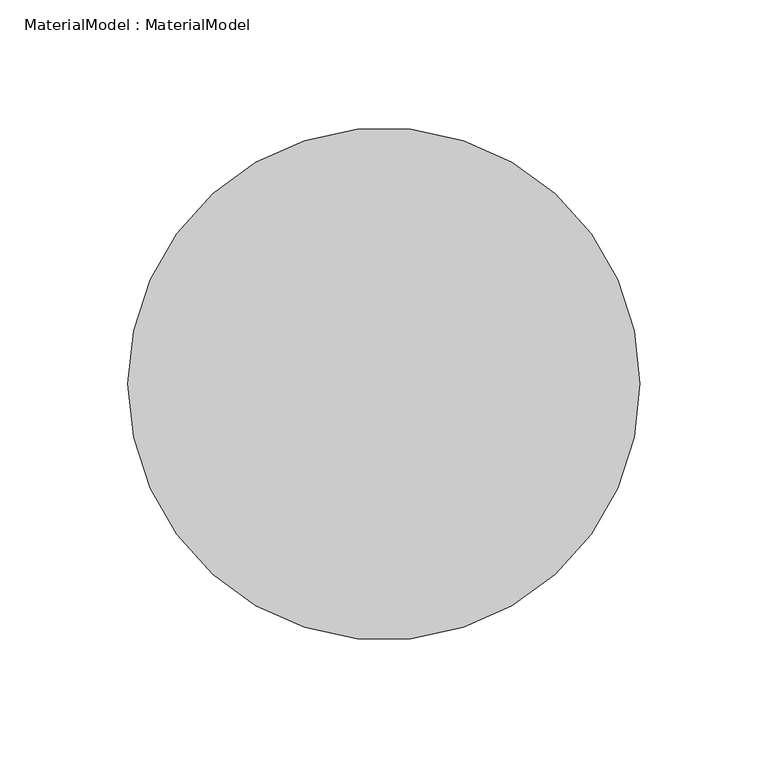
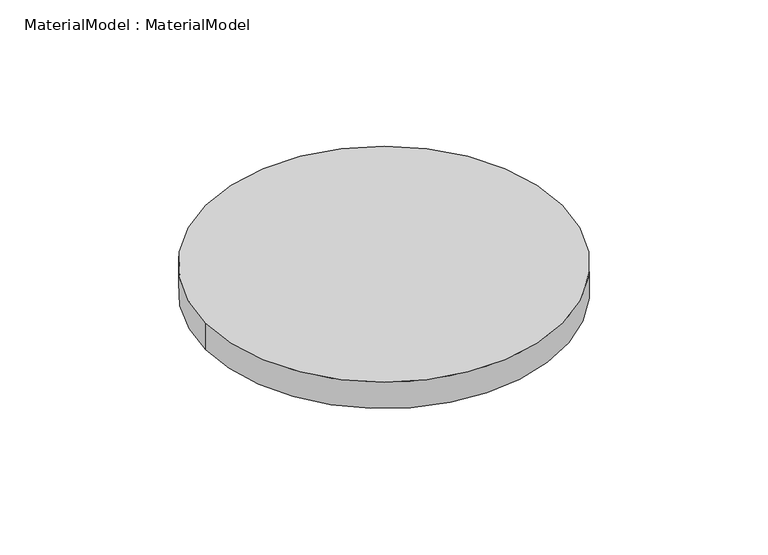
"""IFC4 building model written with IfcOpenShell, lengths in millimetres: proxy geometry, MaterialModel : MaterialModel."""

import ifcopenshell
import ifcopenshell.guid

model = None  # the IFC model being written
_history = None  # IfcOwnerHistory: only IFC2X3 demands one
_inside = {}  # id of a spatial element -> (the spatial element, [elements in it])
_under = {}  # id of a project, library or spatial element -> (it, [spatial elements below it])
_declared = {}  # id of a project -> (the project, [libraries it declares])
_typed = {}  # id of a type object -> (the type object, [elements of that type])
_made_of = {}  # id of a material, layer set ... -> (it, [elements and type objects made of it])


def new_model(schema):
    """Start an empty IFC model of exactly this schema.

    Asked for "IFC4X3", IfcOpenShell would pick the latest addendum, in which some entities
    have other attributes; the version numbers below select the first issue.
    IFC2X3 requires an IfcOwnerHistory on every rooted entity: one is made here for all.
    """
    global model, _history
    if schema == "IFC4X3":
        model = ifcopenshell.file(schema_version=(4, 3, 0, 0))
    else:
        model = ifcopenshell.file(schema=schema)
    _inside.clear()
    _under.clear()
    _declared.clear()
    _typed.clear()
    _made_of.clear()
    _history = None
    if model.schema == "IFC2X3":
        org = make("IfcOrganization", Name="unknown")
        user = make(
            "IfcPersonAndOrganization",
            ThePerson=make("IfcPerson", FamilyName="unknown"),
            TheOrganization=org,
        )
        app = make(
            "IfcApplication",
            ApplicationDeveloper=org,
            Version="unknown",
            ApplicationFullName="unknown",
            ApplicationIdentifier="unknown",
        )
        _history = make(
            "IfcOwnerHistory",
            OwningUser=user,
            OwningApplication=app,
            ChangeAction="ADDED",
            CreationDate=0,
        )
    return model


def make(cls, **values):
    """One entity of the class cls with the attributes given. An attribute that is None is left unset."""
    return model.create_entity(
        cls, **{name: value for name, value in values.items() if value is not None}
    )


def rooted(cls, **values):
    """An entity with a GlobalId (a new one), such as an element, a storey or a relation."""
    return make(cls, GlobalId=ifcopenshell.guid.new(), OwnerHistory=_history, **values)


def si_unit(unit_type, name, prefix=None):
    """IfcSIUnit, for example si_unit("LENGTHUNIT", "METRE", prefix="MILLI")."""
    return make("IfcSIUnit", UnitType=unit_type, Prefix=prefix, Name=name)


def assignment(units):
    """IfcUnitAssignment: the units of a project."""
    return None if units is None else make("IfcUnitAssignment", Units=units)


def point(xyz):
    """IfcCartesianPoint."""
    return None if xyz is None else make("IfcCartesianPoint", Coordinates=xyz)


def direction(xyz):
    """IfcDirection."""
    return None if xyz is None else make("IfcDirection", DirectionRatios=xyz)


def frame(location, z_axis=None, x_axis=None):
    """IfcAxis2Placement3D, a coordinate frame: its origin and axes. An axis left out is left unset."""
    return make(
        "IfcAxis2Placement3D",
        Location=point(location),
        Axis=direction(z_axis),
        RefDirection=direction(x_axis),
    )


def frame_2d(location, x_axis=None):
    """IfcAxis2Placement2D, a coordinate frame in the plane: its origin and x axis."""
    return make(
        "IfcAxis2Placement2D", Location=point(location), RefDirection=direction(x_axis)
    )


def origin():
    """The frame at (0, 0, 0) with its axes left unset."""
    return frame((0.0, 0.0, 0.0))


def origin_with_axes():
    """The frame at (0, 0, 0) with the z axis (0, 0, 1) and the x axis (1, 0, 0) written out."""
    return frame((0.0, 0.0, 0.0), z_axis=(0.0, 0.0, 1.0), x_axis=(1.0, 0.0, 0.0))


def origin_2d():
    """The frame at (0, 0) in the plane with its x axis left unset."""
    return frame_2d((0.0, 0.0))


def place(relative_to, where):
    """IfcLocalPlacement: puts the frame where relative to a parent placement (None: the world)."""
    return make(
        "IfcLocalPlacement", PlacementRelTo=relative_to, RelativePlacement=where
    )


def context(
    kind, dimensions, precision=None, world=None, true_north=None, identifier=None
):
    """IfcGeometricRepresentationContext, for example the 3D "Model" context."""
    return make(
        "IfcGeometricRepresentationContext",
        ContextIdentifier=identifier,
        ContextType=kind,
        CoordinateSpaceDimension=dimensions,
        Precision=precision,
        WorldCoordinateSystem=world,
        TrueNorth=true_north,
    )


def project(units=None, contexts=None):
    """IfcProject with its units and contexts."""
    return rooted(
        "IfcProject",
        Name="project",
        RepresentationContexts=contexts,
        UnitsInContext=assignment(units),
    )


def spatial(cls, under=None, at=None, **own):
    """A site, building, storey or space (cls), placed at a placement, below another one or the project."""
    s = rooted(cls, ObjectPlacement=at, **own)
    if under is not None:
        _under.setdefault(under.id(), (under, []))[1].append(s)
    return s


def circle_curve(where, radius):
    """IfcCircle in the frame where."""
    return make("IfcCircle", Position=where, Radius=radius)


def trimmed(basis, trim1, trim2, sense, master):
    """IfcTrimmedCurve: the piece of a basis curve between two trims."""
    return make(
        "IfcTrimmedCurve",
        BasisCurve=basis,
        Trim1=trim1,
        Trim2=trim2,
        SenseAgreement=sense,
        MasterRepresentation=master,
    )


def segment(curve, same_sense, transition):
    """IfcCompositeCurveSegment."""
    return make(
        "IfcCompositeCurveSegment",
        Transition=transition,
        SameSense=same_sense,
        ParentCurve=curve,
    )


def composite_curve(segments, self_intersect=None):
    """IfcCompositeCurve: segments joined end to end."""
    return make("IfcCompositeCurve", Segments=segments, SelfIntersect=self_intersect)


def outline(outer, holes=None, kind="AREA"):
    """IfcArbitraryClosedProfileDef: a profile drawn as a closed curve; with holes, ...WithVoids."""
    if holes is None:
        return make("IfcArbitraryClosedProfileDef", ProfileType=kind, OuterCurve=outer)
    return make(
        "IfcArbitraryProfileDefWithVoids",
        ProfileType=kind,
        OuterCurve=outer,
        InnerCurves=holes,
    )


def extrude(swept, where, along, depth):
    """IfcExtrudedAreaSolid: the profile swept, set in the frame where, extruded along a direction by depth."""
    return make(
        "IfcExtrudedAreaSolid",
        SweptArea=swept,
        Position=where,
        ExtrudedDirection=direction(along),
        Depth=depth,
    )


def shape(context_of_items, identifier, shape_type, items):
    """IfcShapeRepresentation: the items that make up one representation, for example the "Body"."""
    return make(
        "IfcShapeRepresentation",
        ContextOfItems=context_of_items,
        RepresentationIdentifier=identifier,
        RepresentationType=shape_type,
        Items=items,
    )


def source(mapping_origin, context_of_items, identifier, shape_type, items):
    """IfcRepresentationMap: a shape defined once, which mapped items show again and again."""
    return make(
        "IfcRepresentationMap",
        MappingOrigin=mapping_origin,
        MappedRepresentation=shape(context_of_items, identifier, shape_type, items),
    )


def transform(
    local_origin,
    x_axis=None,
    y_axis=None,
    z_axis=None,
    scale=None,
    scale2=None,
    scale3=None,
    uniform=True,
):
    """IfcCartesianTransformationOperator3D, or its non-uniform kind. x_axis, y_axis, z_axis: its Axis1, 2, 3."""
    if uniform:
        return make(
            "IfcCartesianTransformationOperator3D",
            Axis1=direction(x_axis),
            Axis2=direction(y_axis),
            LocalOrigin=point(local_origin),
            Scale=scale,
            Axis3=direction(z_axis),
        )
    return make(
        "IfcCartesianTransformationOperator3DnonUniform",
        Axis1=direction(x_axis),
        Axis2=direction(y_axis),
        LocalOrigin=point(local_origin),
        Scale=scale,
        Axis3=direction(z_axis),
        Scale2=scale2,
        Scale3=scale3,
    )


def mapped(mapping_source, mapping_target):
    """IfcMappedItem: shows the shape of a source again, moved by a transform."""
    return make(
        "IfcMappedItem", MappingSource=mapping_source, MappingTarget=mapping_target
    )


def made_of(thing, what):
    """Note that an element or type object is made of a material, layer set ...; save() writes the relation."""
    if what is not None:
        _made_of.setdefault(what.id(), (what, []))[1].append(thing)
    return thing


def element(
    cls,
    number,
    at=None,
    inside=None,
    cuts=None,
    type_object=None,
    material=None,
    context=None,
    identifier="Body",
    shape_type=None,
    held_by="IfcProductDefinitionShape",
    body=None,
    shapes=None,
    **own,
):
    """One element of the class cls, such as IfcWall. Its Tag is "e" and its number.

    at: its placement. inside: the storey or other place that contains it. cuts: it is an
    opening in that element (IfcRelVoidsElement). A single representation is given by context,
    identifier, shape_type and body (its items); several are given by shapes. held_by: the class
    of the entity that holds the representations. save() writes the other relations.
    """
    e = rooted(cls, Tag="e%d" % number, ObjectPlacement=at, **own)
    if body is not None:
        shapes = [shape(context, identifier, shape_type, body)]
    if shapes is not None:
        e.Representation = make(held_by, Representations=shapes)
    if inside is not None:
        _inside.setdefault(inside.id(), (inside, []))[1].append(e)
    if cuts is not None:
        rooted(
            "IfcRelVoidsElement", RelatingBuildingElement=cuts, RelatedOpeningElement=e
        )
    if type_object is not None:
        _typed.setdefault(type_object.id(), (type_object, []))[1].append(e)
    return made_of(e, material)


def aggregate(whole, parts):
    """IfcRelAggregates: a whole, such as a stair, and the parts it consists of."""
    return rooted("IfcRelAggregates", RelatingObject=whole, RelatedObjects=parts)


def save(model, path):
    """Write the relations noted so far, then the file.

    IfcRelAggregates (storeys below a building ...), IfcRelContainedInSpatialStructure (elements
    in a storey), IfcRelDefinesByType, IfcRelAssociatesMaterial and IfcRelDeclares: one each for
    every whole, place, type object, material and project.
    """
    for whole, parts in _under.values():
        aggregate(whole, parts)
    for where, things in _inside.values():
        rooted(
            "IfcRelContainedInSpatialStructure",
            RelatedElements=things,
            RelatingStructure=where,
        )
    for kind, things in _typed.values():
        rooted("IfcRelDefinesByType", RelatedObjects=things, RelatingType=kind)
    for what, things in _made_of.values():
        rooted("IfcRelAssociatesMaterial", RelatedObjects=things, RelatingMaterial=what)
    for by, libraries in _declared.values():
        rooted("IfcRelDeclares", RelatingContext=by, RelatedDefinitions=libraries)
    model.write(path)


def materialmodel_materialmodel_33d36961(model_context):
    return source(origin(), model_context, "Body", "SweptSolid", [
        extrude(outline(composite_curve([segment(trimmed(circle_curve(origin_2d(), 100.0), [point((-100.0, 0.0))], [point((100.0, 0.0))], False, "CARTESIAN"), True, "CONTINUOUS"), segment(trimmed(circle_curve(origin_2d(), 100.0), [point((100.0, 0.0))], [point((-100.0, 0.0))], False, "CARTESIAN"), True, "CONTINUOUS")], self_intersect=False)), origin_with_axes(), (0.0, 0.0, 1.0), 15.6926098),
    ])


if __name__ == "__main__":
    model = new_model("IFC4")
    model_context = context("Model", 3, world=origin())
    ifc_project = project(units=[si_unit("LENGTHUNIT", "METRE", prefix="MILLI")], contexts=[model_context])
    site = spatial("IfcSite", under=ifc_project)
    building = spatial("IfcBuilding", under=site)
    placement = place(None, origin())
    materialmodel_materialmodel_shape = materialmodel_materialmodel_33d36961(model_context)
    element("IfcBuildingElementProxy", 1, Name="MaterialModel : MaterialModel", ObjectType="MaterialModel : MaterialModel", at=placement, inside=building, context=model_context, shape_type="MappedRepresentation", body=[
        mapped(materialmodel_materialmodel_shape, transform((0.0, 0.0, 0.0), x_axis=(1.0, 0.0, 0.0), y_axis=(0.0, 1.0, 0.0), z_axis=(0.0, 0.0, 1.0))),
    ])
    save(model, "model.ifc")
